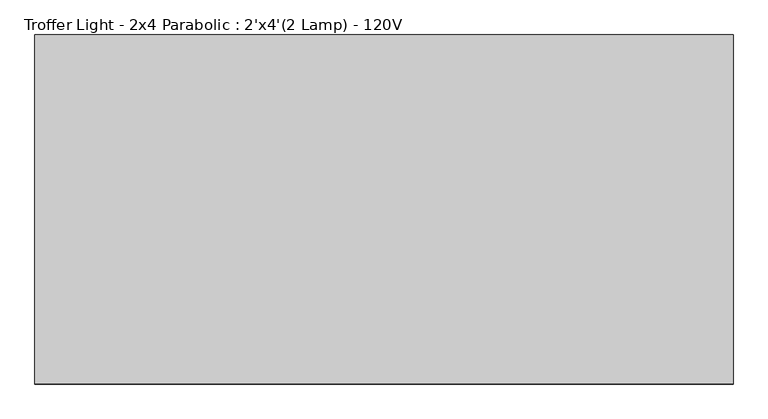
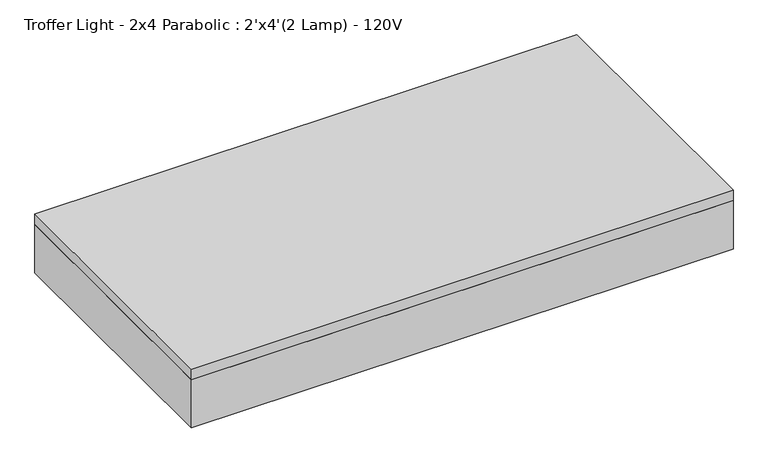
"""IFC4 building model written with IfcOpenShell, lengths in millimetres: light fixture geometry, Troffer Light - 2x4 Parabolic : 2'x4'(2 Lamp) - 120V."""

from ifc_helpers import new_model, si_unit, frame, origin, place, context, project, spatial, polyline, outline, extrude, source, transform, mapped, element, save


def troffer_light_2x4_parabolic_2_x4_2_lamp_120v_0950da18(model_context):
    return source(origin(), model_context, "Body", "SweptSolid", [
        extrude(outline(polyline([(565.4964984, -219.9340679), (-602.9035016, -219.9340679), (-602.9035016, 338.8659321), (565.4964984, 338.8659321), (565.4964984, -219.9340679)]), holes=[polyline([(-409.2285016, -35.7840679), (-596.5535016, -35.7840679), (-596.5535016, -213.5840679), (-409.2285016, -213.5840679), (-409.2285016, -35.7840679)]), polyline([(-409.2285016, 148.3659321), (-596.5535016, 148.3659321), (-596.5535016, -29.4340679), (-409.2285016, -29.4340679), (-409.2285016, 148.3659321)]), polyline([(-409.2285016, 154.7159321), (-409.2285016, 332.5159321), (-596.5535016, 332.5159321), (-596.5535016, 154.7159321), (-409.2285016, 154.7159321)]), polyline([(-215.5535016, -35.7840679), (-402.8785016, -35.7840679), (-402.8785016, -213.5840679), (-215.5535016, -213.5840679), (-215.5535016, -35.7840679)]), polyline([(-215.5535016, 148.3659321), (-402.8785016, 148.3659321), (-402.8785016, -29.4340679), (-215.5535016, -29.4340679), (-215.5535016, 148.3659321)]), polyline([(-215.5535016, 154.7159321), (-215.5535016, 332.5159321), (-402.8785016, 332.5159321), (-402.8785016, 154.7159321), (-215.5535016, 154.7159321)]), polyline([(-21.8785016, -35.7840679), (-209.2035016, -35.7840679), (-209.2035016, -213.5840679), (-21.8785016, -213.5840679), (-21.8785016, -35.7840679)]), polyline([(-21.8785016, 148.3659321), (-209.2035016, 148.3659321), (-209.2035016, -29.4340679), (-21.8785016, -29.4340679), (-21.8785016, 148.3659321)]), polyline([(-21.8785016, 154.7159321), (-21.8785016, 332.5159321), (-209.2035016, 332.5159321), (-209.2035016, 154.7159321), (-21.8785016, 154.7159321)]), polyline([(171.7964984, -35.7840679), (-15.5285016, -35.7840679), (-15.5285016, -213.5840679), (171.7964984, -213.5840679), (171.7964984, -35.7840679)]), polyline([(171.7964984, 148.3659321), (-15.5285016, 148.3659321), (-15.5285016, -29.4340679), (171.7964984, -29.4340679), (171.7964984, 148.3659321)]), polyline([(171.7964984, 154.7159321), (171.7964984, 332.5159321), (-15.5285016, 332.5159321), (-15.5285016, 154.7159321), (171.7964984, 154.7159321)]), polyline([(365.4714984, -35.7840679), (178.1464984, -35.7840679), (178.1464984, -213.5840679), (365.4714984, -213.5840679), (365.4714984, -35.7840679)]), polyline([(365.4714984, 148.3659321), (178.1464984, 148.3659321), (178.1464984, -29.4340679), (365.4714984, -29.4340679), (365.4714984, 148.3659321)]), polyline([(365.4714984, 154.7159321), (365.4714984, 332.5159321), (178.1464984, 332.5159321), (178.1464984, 154.7159321), (365.4714984, 154.7159321)]), polyline([(559.1464984, -35.7840679), (371.8214984, -35.7840679), (371.8214984, -213.5840679), (559.1464984, -213.5840679), (559.1464984, -35.7840679)]), polyline([(559.1464984, 148.3659321), (371.8214984, 148.3659321), (371.8214984, -29.4340679), (559.1464984, -29.4340679), (559.1464984, 148.3659321)]), polyline([(559.1464984, 154.7159321), (559.1464984, 332.5159321), (371.8214984, 332.5159321), (371.8214984, 154.7159321), (559.1464984, 154.7159321)])]), frame((0.0, 0.0, 2438.4), z_axis=(0.0, 0.0, 1.0), x_axis=(1.0, 0.0, 0.0)), (0.0, 0.0, 1.0), 3.175),
        extrude(outline(polyline([(565.4964984, -219.9340679), (-602.9035016, -219.9340679), (-602.9035016, 338.8659321), (565.4964984, 338.8659321), (565.4964984, -219.9340679)])), frame((0.0, 0.0, 2514.6), z_axis=(0.0, 0.0, 1.0), x_axis=(1.0, 0.0, 0.0)), (0.0, 0.0, 1.0), 6.35),
        extrude(outline(polyline([(565.4964984, -219.9340679), (-602.9035016, -219.9340679), (-602.9035016, 338.8659321), (565.4964984, 338.8659321), (565.4964984, -219.9340679)]), holes=[polyline([(-409.2285016, -35.7840679), (-596.5535016, -35.7840679), (-596.5535016, -213.5840679), (-409.2285016, -213.5840679), (-409.2285016, -35.7840679)]), polyline([(-409.2285016, 148.3659321), (-596.5535016, 148.3659321), (-596.5535016, -29.4340679), (-409.2285016, -29.4340679), (-409.2285016, 148.3659321)]), polyline([(-409.2285016, 154.7159321), (-409.2285016, 332.5159321), (-596.5535016, 332.5159321), (-596.5535016, 154.7159321), (-409.2285016, 154.7159321)]), polyline([(-215.5535016, -35.7840679), (-402.8785016, -35.7840679), (-402.8785016, -213.5840679), (-215.5535016, -213.5840679), (-215.5535016, -35.7840679)]), polyline([(-215.5535016, 148.3659321), (-402.8785016, 148.3659321), (-402.8785016, -29.4340679), (-215.5535016, -29.4340679), (-215.5535016, 148.3659321)]), polyline([(-215.5535016, 154.7159321), (-215.5535016, 332.5159321), (-402.8785016, 332.5159321), (-402.8785016, 154.7159321), (-215.5535016, 154.7159321)]), polyline([(-21.8785016, -35.7840679), (-209.2035016, -35.7840679), (-209.2035016, -213.5840679), (-21.8785016, -213.5840679), (-21.8785016, -35.7840679)]), polyline([(-21.8785016, 148.3659321), (-209.2035016, 148.3659321), (-209.2035016, -29.4340679), (-21.8785016, -29.4340679), (-21.8785016, 148.3659321)]), polyline([(-21.8785016, 154.7159321), (-21.8785016, 332.5159321), (-209.2035016, 332.5159321), (-209.2035016, 154.7159321), (-21.8785016, 154.7159321)]), polyline([(171.7964984, -35.7840679), (-15.5285016, -35.7840679), (-15.5285016, -213.5840679), (171.7964984, -213.5840679), (171.7964984, -35.7840679)]), polyline([(171.7964984, 148.3659321), (-15.5285016, 148.3659321), (-15.5285016, -29.4340679), (171.7964984, -29.4340679), (171.7964984, 148.3659321)]), polyline([(171.7964984, 154.7159321), (171.7964984, 332.5159321), (-15.5285016, 332.5159321), (-15.5285016, 154.7159321), (171.7964984, 154.7159321)]), polyline([(365.4714984, -35.7840679), (178.1464984, -35.7840679), (178.1464984, -213.5840679), (365.4714984, -213.5840679), (365.4714984, -35.7840679)]), polyline([(365.4714984, 148.3659321), (178.1464984, 148.3659321), (178.1464984, -29.4340679), (365.4714984, -29.4340679), (365.4714984, 148.3659321)]), polyline([(365.4714984, 154.7159321), (365.4714984, 332.5159321), (178.1464984, 332.5159321), (178.1464984, 154.7159321), (365.4714984, 154.7159321)]), polyline([(559.1464984, -35.7840679), (371.8214984, -35.7840679), (371.8214984, -213.5840679), (559.1464984, -213.5840679), (559.1464984, -35.7840679)]), polyline([(559.1464984, 148.3659321), (371.8214984, 148.3659321), (371.8214984, -29.4340679), (559.1464984, -29.4340679), (559.1464984, 148.3659321)]), polyline([(559.1464984, 154.7159321), (559.1464984, 332.5159321), (371.8214984, 332.5159321), (371.8214984, 154.7159321), (559.1464984, 154.7159321)])]), frame((0.0, 0.0, 2441.575), z_axis=(0.0, 0.0, 1.0), x_axis=(1.0, 0.0, 0.0)), (0.0, 0.0, 1.0), 47.625),
        extrude(outline(polyline([(590.8964984, -245.3340679), (-628.3035016, -245.3340679), (-628.3035016, 364.2659321), (590.8964984, 364.2659321), (590.8964984, -245.3340679)]), holes=[polyline([(565.4964984, -219.9340679), (565.4964984, 338.8659321), (-602.9035016, 338.8659321), (-602.9035016, -219.9340679), (565.4964984, -219.9340679)])]), frame((0.0, 0.0, 2438.4), z_axis=(0.0, 0.0, 1.0), x_axis=(1.0, 0.0, 0.0)), (0.0, 0.0, 1.0), 114.3),
        extrude(outline(polyline([(590.8964984, -245.3340679), (-628.3035016, -245.3340679), (-628.3035016, 364.2659321), (590.8964984, 364.2659321), (590.8964984, -245.3340679)])), frame((0.0, 0.0, 2552.7), z_axis=(0.0, 0.0, 1.0), x_axis=(1.0, 0.0, 0.0)), (0.0, 0.0, 1.0), 25.4),
    ])


if __name__ == "__main__":
    model = new_model("IFC4")
    model_context = context("Model", 3, world=origin())
    ifc_project = project(units=[si_unit("LENGTHUNIT", "METRE", prefix="MILLI")], contexts=[model_context])
    site = spatial("IfcSite", under=ifc_project)
    building = spatial("IfcBuilding", under=site)
    placement = place(None, origin())
    troffer_light_2x4_parabolic_2_x4_2_lamp_120v_shape = troffer_light_2x4_parabolic_2_x4_2_lamp_120v_0950da18(model_context)
    element("IfcLightFixture", 1, ObjectType="Troffer Light - 2x4 Parabolic : 2'x4'(2 Lamp) - 120V", at=placement, inside=building, context=model_context, shape_type="MappedRepresentation", body=[
        mapped(troffer_light_2x4_parabolic_2_x4_2_lamp_120v_shape, transform((0.0, 0.0, 0.0), x_axis=(1.0, 0.0, 0.0), y_axis=(0.0, 1.0, 0.0), z_axis=(0.0, 0.0, 1.0))),
    ])
    save(model, "model.ifc")
